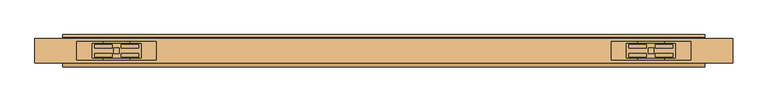
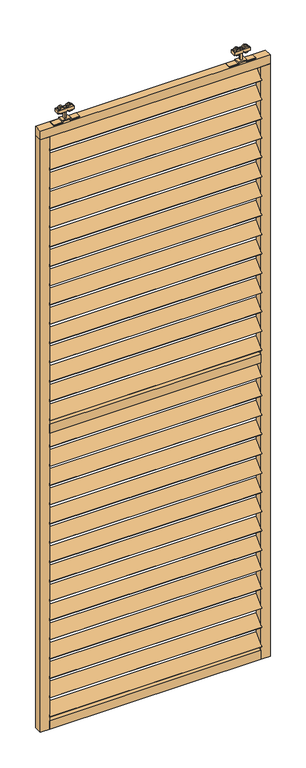
"""IFC4 building model written with IfcOpenShell, lengths in millimetres: door geometry."""

import ifcopenshell
import ifcopenshell.guid

model = None  # the IFC model being written
_history = None  # IfcOwnerHistory: only IFC2X3 demands one
_inside = {}  # id of a spatial element -> (the spatial element, [elements in it])
_under = {}  # id of a project, library or spatial element -> (it, [spatial elements below it])
_declared = {}  # id of a project -> (the project, [libraries it declares])
_typed = {}  # id of a type object -> (the type object, [elements of that type])
_made_of = {}  # id of a material, layer set ... -> (it, [elements and type objects made of it])


def new_model(schema):
    """Start an empty IFC model of exactly this schema.

    Asked for "IFC4X3", IfcOpenShell would pick the latest addendum, in which some entities
    have other attributes; the version numbers below select the first issue.
    IFC2X3 requires an IfcOwnerHistory on every rooted entity: one is made here for all.
    """
    global model, _history
    if schema == "IFC4X3":
        model = ifcopenshell.file(schema_version=(4, 3, 0, 0))
    else:
        model = ifcopenshell.file(schema=schema)
    _inside.clear()
    _under.clear()
    _declared.clear()
    _typed.clear()
    _made_of.clear()
    _history = None
    if model.schema == "IFC2X3":
        org = make("IfcOrganization", Name="unknown")
        user = make(
            "IfcPersonAndOrganization",
            ThePerson=make("IfcPerson", FamilyName="unknown"),
            TheOrganization=org,
        )
        app = make(
            "IfcApplication",
            ApplicationDeveloper=org,
            Version="unknown",
            ApplicationFullName="unknown",
            ApplicationIdentifier="unknown",
        )
        _history = make(
            "IfcOwnerHistory",
            OwningUser=user,
            OwningApplication=app,
            ChangeAction="ADDED",
            CreationDate=0,
        )
    return model


def make(cls, **values):
    """One entity of the class cls with the attributes given. An attribute that is None is left unset."""
    return model.create_entity(
        cls, **{name: value for name, value in values.items() if value is not None}
    )


def rooted(cls, **values):
    """An entity with a GlobalId (a new one), such as an element, a storey or a relation."""
    return make(cls, GlobalId=ifcopenshell.guid.new(), OwnerHistory=_history, **values)


def si_unit(unit_type, name, prefix=None):
    """IfcSIUnit, for example si_unit("LENGTHUNIT", "METRE", prefix="MILLI")."""
    return make("IfcSIUnit", UnitType=unit_type, Prefix=prefix, Name=name)


def assignment(units):
    """IfcUnitAssignment: the units of a project."""
    return None if units is None else make("IfcUnitAssignment", Units=units)


def point(xyz):
    """IfcCartesianPoint."""
    return None if xyz is None else make("IfcCartesianPoint", Coordinates=xyz)


def direction(xyz):
    """IfcDirection."""
    return None if xyz is None else make("IfcDirection", DirectionRatios=xyz)


def frame(location, z_axis=None, x_axis=None):
    """IfcAxis2Placement3D, a coordinate frame: its origin and axes. An axis left out is left unset."""
    return make(
        "IfcAxis2Placement3D",
        Location=point(location),
        Axis=direction(z_axis),
        RefDirection=direction(x_axis),
    )


def frame_2d(location, x_axis=None):
    """IfcAxis2Placement2D, a coordinate frame in the plane: its origin and x axis."""
    return make(
        "IfcAxis2Placement2D", Location=point(location), RefDirection=direction(x_axis)
    )


def origin():
    """The frame at (0, 0, 0) with its axes left unset."""
    return frame((0.0, 0.0, 0.0))


def place(relative_to, where):
    """IfcLocalPlacement: puts the frame where relative to a parent placement (None: the world)."""
    return make(
        "IfcLocalPlacement", PlacementRelTo=relative_to, RelativePlacement=where
    )


def context(
    kind, dimensions, precision=None, world=None, true_north=None, identifier=None
):
    """IfcGeometricRepresentationContext, for example the 3D "Model" context."""
    return make(
        "IfcGeometricRepresentationContext",
        ContextIdentifier=identifier,
        ContextType=kind,
        CoordinateSpaceDimension=dimensions,
        Precision=precision,
        WorldCoordinateSystem=world,
        TrueNorth=true_north,
    )


def project(units=None, contexts=None):
    """IfcProject with its units and contexts."""
    return rooted(
        "IfcProject",
        Name="project",
        RepresentationContexts=contexts,
        UnitsInContext=assignment(units),
    )


def spatial(cls, under=None, at=None, **own):
    """A site, building, storey or space (cls), placed at a placement, below another one or the project."""
    s = rooted(cls, ObjectPlacement=at, **own)
    if under is not None:
        _under.setdefault(under.id(), (under, []))[1].append(s)
    return s


def polyline(points):
    """IfcPolyline through the points."""
    return make("IfcPolyline", Points=[point(p) for p in points])


def circle_curve(where, radius):
    """IfcCircle in the frame where."""
    return make("IfcCircle", Position=where, Radius=radius)


def trimmed(basis, trim1, trim2, sense, master):
    """IfcTrimmedCurve: the piece of a basis curve between two trims."""
    return make(
        "IfcTrimmedCurve",
        BasisCurve=basis,
        Trim1=trim1,
        Trim2=trim2,
        SenseAgreement=sense,
        MasterRepresentation=master,
    )


def segment(curve, same_sense, transition):
    """IfcCompositeCurveSegment."""
    return make(
        "IfcCompositeCurveSegment",
        Transition=transition,
        SameSense=same_sense,
        ParentCurve=curve,
    )


def composite_curve(segments, self_intersect=None):
    """IfcCompositeCurve: segments joined end to end."""
    return make("IfcCompositeCurve", Segments=segments, SelfIntersect=self_intersect)


def outline(outer, holes=None, kind="AREA"):
    """IfcArbitraryClosedProfileDef: a profile drawn as a closed curve; with holes, ...WithVoids."""
    if holes is None:
        return make("IfcArbitraryClosedProfileDef", ProfileType=kind, OuterCurve=outer)
    return make(
        "IfcArbitraryProfileDefWithVoids",
        ProfileType=kind,
        OuterCurve=outer,
        InnerCurves=holes,
    )


def extrude(swept, where, along, depth):
    """IfcExtrudedAreaSolid: the profile swept, set in the frame where, extruded along a direction by depth."""
    return make(
        "IfcExtrudedAreaSolid",
        SweptArea=swept,
        Position=where,
        ExtrudedDirection=direction(along),
        Depth=depth,
    )


def shape(context_of_items, identifier, shape_type, items):
    """IfcShapeRepresentation: the items that make up one representation, for example the "Body"."""
    return make(
        "IfcShapeRepresentation",
        ContextOfItems=context_of_items,
        RepresentationIdentifier=identifier,
        RepresentationType=shape_type,
        Items=items,
    )


def source(mapping_origin, context_of_items, identifier, shape_type, items):
    """IfcRepresentationMap: a shape defined once, which mapped items show again and again."""
    return make(
        "IfcRepresentationMap",
        MappingOrigin=mapping_origin,
        MappedRepresentation=shape(context_of_items, identifier, shape_type, items),
    )


def transform(
    local_origin,
    x_axis=None,
    y_axis=None,
    z_axis=None,
    scale=None,
    scale2=None,
    scale3=None,
    uniform=True,
):
    """IfcCartesianTransformationOperator3D, or its non-uniform kind. x_axis, y_axis, z_axis: its Axis1, 2, 3."""
    if uniform:
        return make(
            "IfcCartesianTransformationOperator3D",
            Axis1=direction(x_axis),
            Axis2=direction(y_axis),
            LocalOrigin=point(local_origin),
            Scale=scale,
            Axis3=direction(z_axis),
        )
    return make(
        "IfcCartesianTransformationOperator3DnonUniform",
        Axis1=direction(x_axis),
        Axis2=direction(y_axis),
        LocalOrigin=point(local_origin),
        Scale=scale,
        Axis3=direction(z_axis),
        Scale2=scale2,
        Scale3=scale3,
    )


def mapped(mapping_source, mapping_target):
    """IfcMappedItem: shows the shape of a source again, moved by a transform."""
    return make(
        "IfcMappedItem", MappingSource=mapping_source, MappingTarget=mapping_target
    )


def made_of(thing, what):
    """Note that an element or type object is made of a material, layer set ...; save() writes the relation."""
    if what is not None:
        _made_of.setdefault(what.id(), (what, []))[1].append(thing)
    return thing


def element(
    cls,
    number,
    at=None,
    inside=None,
    cuts=None,
    type_object=None,
    material=None,
    context=None,
    identifier="Body",
    shape_type=None,
    held_by="IfcProductDefinitionShape",
    body=None,
    shapes=None,
    **own,
):
    """One element of the class cls, such as IfcWall. Its Tag is "e" and its number.

    at: its placement. inside: the storey or other place that contains it. cuts: it is an
    opening in that element (IfcRelVoidsElement). A single representation is given by context,
    identifier, shape_type and body (its items); several are given by shapes. held_by: the class
    of the entity that holds the representations. save() writes the other relations.
    """
    e = rooted(cls, Tag="e%d" % number, ObjectPlacement=at, **own)
    if body is not None:
        shapes = [shape(context, identifier, shape_type, body)]
    if shapes is not None:
        e.Representation = make(held_by, Representations=shapes)
    if inside is not None:
        _inside.setdefault(inside.id(), (inside, []))[1].append(e)
    if cuts is not None:
        rooted(
            "IfcRelVoidsElement", RelatingBuildingElement=cuts, RelatedOpeningElement=e
        )
    if type_object is not None:
        _typed.setdefault(type_object.id(), (type_object, []))[1].append(e)
    return made_of(e, material)


def aggregate(whole, parts):
    """IfcRelAggregates: a whole, such as a stair, and the parts it consists of."""
    return rooted("IfcRelAggregates", RelatingObject=whole, RelatedObjects=parts)


def save(model, path):
    """Write the relations noted so far, then the file.

    IfcRelAggregates (storeys below a building ...), IfcRelContainedInSpatialStructure (elements
    in a storey), IfcRelDefinesByType, IfcRelAssociatesMaterial and IfcRelDeclares: one each for
    every whole, place, type object, material and project.
    """
    for whole, parts in _under.values():
        aggregate(whole, parts)
    for where, things in _inside.values():
        rooted(
            "IfcRelContainedInSpatialStructure",
            RelatedElements=things,
            RelatingStructure=where,
        )
    for kind, things in _typed.values():
        rooted("IfcRelDefinesByType", RelatedObjects=things, RelatingType=kind)
    for what, things in _made_of.values():
        rooted("IfcRelAssociatesMaterial", RelatedObjects=things, RelatingMaterial=what)
    for by, libraries in _declared.values():
        rooted("IfcRelDeclares", RelatingContext=by, RelatedDefinitions=libraries)
    model.write(path)


def door_47d15db3(model_context):
    return source(origin(), model_context, "Body", "SweptSolid", [
        extrude(outline(polyline([(0.0, -5.0), (0.0, 0.0), (920.0, 0.0), (920.0, -5.0), (0.0, -5.0)])), frame((-362.5, -24.1880102, 2582.447601), z_axis=(0.0, 0.7071067811865482, 0.707106781186547), x_axis=(1.0, 0.0, 0.0)), (0.0, 0.0, 1.0), 60.0),
        extrude(outline(polyline([(0.0, -5.0), (0.0, 0.0), (920.0, 0.0), (920.0, -5.0), (0.0, -5.0)])), frame((-362.5, -24.1880102, 2493.8761725), z_axis=(0.0, 0.7071067811865482, 0.707106781186547), x_axis=(1.0, 0.0, 0.0)), (0.0, 0.0, 1.0), 60.0),
        extrude(outline(polyline([(0.0, -5.0), (0.0, 0.0), (920.0, 0.0), (920.0, -5.0), (0.0, -5.0)])), frame((-362.5, -24.1880102, 2405.3047439), z_axis=(0.0, 0.7071067811865482, 0.707106781186547), x_axis=(1.0, 0.0, 0.0)), (0.0, 0.0, 1.0), 60.0),
        extrude(outline(polyline([(0.0, -5.0), (0.0, 0.0), (920.0, 0.0), (920.0, -5.0), (0.0, -5.0)])), frame((-362.5, -24.1880102, 2316.7333153), z_axis=(0.0, 0.7071067811865482, 0.707106781186547), x_axis=(1.0, 0.0, 0.0)), (0.0, 0.0, 1.0), 60.0),
        extrude(outline(polyline([(0.0, -5.0), (0.0, 0.0), (920.0, 0.0), (920.0, -5.0), (0.0, -5.0)])), frame((-362.5, -24.1880102, 1222.447601), z_axis=(0.0, 0.7071067811865482, 0.707106781186547), x_axis=(1.0, 0.0, 0.0)), (0.0, 0.0, 1.0), 60.0),
        extrude(outline(polyline([(0.0, -5.0), (0.0, 0.0), (920.0, 0.0), (920.0, -5.0), (0.0, -5.0)])), frame((-362.5, -24.1880102, 1133.8761725), z_axis=(0.0, 0.7071067811865482, 0.707106781186547), x_axis=(1.0, 0.0, 0.0)), (0.0, 0.0, 1.0), 60.0),
        extrude(outline(polyline([(0.0, -5.0), (0.0, 0.0), (920.0, 0.0), (920.0, -5.0), (0.0, -5.0)])), frame((-362.5, -24.1880102, 1045.3047439), z_axis=(0.0, 0.7071067811865482, 0.707106781186547), x_axis=(1.0, 0.0, 0.0)), (0.0, 0.0, 1.0), 60.0),
        extrude(outline(polyline([(0.0, -5.0), (0.0, 0.0), (920.0, 0.0), (920.0, -5.0), (0.0, -5.0)])), frame((-362.5, -24.1880102, 956.7333153), z_axis=(0.0, 0.7071067811865482, 0.707106781186547), x_axis=(1.0, 0.0, 0.0)), (0.0, 0.0, 1.0), 60.0),
        extrude(outline(polyline([(0.0, -5.0), (0.0, 0.0), (920.0, 0.0), (920.0, -5.0), (0.0, -5.0)])), frame((-362.5, -24.1880102, 2228.1618868), z_axis=(0.0, 0.7071067811865482, 0.707106781186547), x_axis=(1.0, 0.0, 0.0)), (0.0, 0.0, 1.0), 60.0),
        extrude(outline(polyline([(0.0, -5.0), (0.0, 0.0), (920.0, 0.0), (920.0, -5.0), (0.0, -5.0)])), frame((-362.5, -24.1880102, 2139.5904582), z_axis=(0.0, 0.7071067811865482, 0.707106781186547), x_axis=(1.0, 0.0, 0.0)), (0.0, 0.0, 1.0), 60.0),
        extrude(outline(polyline([(0.0, -5.0), (0.0, 0.0), (920.0, 0.0), (920.0, -5.0), (0.0, -5.0)])), frame((-362.5, -24.1880102, 2051.0190296), z_axis=(0.0, 0.7071067811865482, 0.707106781186547), x_axis=(1.0, 0.0, 0.0)), (0.0, 0.0, 1.0), 60.0),
        extrude(outline(polyline([(0.0, -5.0), (0.0, 0.0), (920.0, 0.0), (920.0, -5.0), (0.0, -5.0)])), frame((-362.5, -24.1880102, 1962.447601), z_axis=(0.0, 0.7071067811865482, 0.707106781186547), x_axis=(1.0, 0.0, 0.0)), (0.0, 0.0, 1.0), 60.0),
        extrude(outline(polyline([(0.0, -5.0), (0.0, 0.0), (920.0, 0.0), (920.0, -5.0), (0.0, -5.0)])), frame((-362.5, -24.1880102, 868.1618868), z_axis=(0.0, 0.7071067811865482, 0.707106781186547), x_axis=(1.0, 0.0, 0.0)), (0.0, 0.0, 1.0), 60.0),
        extrude(outline(polyline([(0.0, -5.0), (0.0, 0.0), (920.0, 0.0), (920.0, -5.0), (0.0, -5.0)])), frame((-362.5, -24.1880102, 779.5904582), z_axis=(0.0, 0.7071067811865482, 0.707106781186547), x_axis=(1.0, 0.0, 0.0)), (0.0, 0.0, 1.0), 60.0),
        extrude(outline(polyline([(0.0, -5.0), (0.0, 0.0), (920.0, 0.0), (920.0, -5.0), (0.0, -5.0)])), frame((-362.5, -24.1880102, 691.0190296), z_axis=(0.0, 0.7071067811865482, 0.707106781186547), x_axis=(1.0, 0.0, 0.0)), (0.0, 0.0, 1.0), 60.0),
        extrude(outline(polyline([(0.0, -5.0), (0.0, 0.0), (920.0, 0.0), (920.0, -5.0), (0.0, -5.0)])), frame((-362.5, -24.1880102, 602.447601), z_axis=(0.0, 0.7071067811865482, 0.707106781186547), x_axis=(1.0, 0.0, 0.0)), (0.0, 0.0, 1.0), 60.0),
        extrude(outline(polyline([(0.0, -5.0), (0.0, 0.0), (920.0, 0.0), (920.0, -5.0), (0.0, -5.0)])), frame((-362.5, -24.1880102, 1873.8761725), z_axis=(0.0, 0.7071067811865482, 0.707106781186547), x_axis=(1.0, 0.0, 0.0)), (0.0, 0.0, 1.0), 60.0),
        extrude(outline(polyline([(0.0, -5.0), (0.0, 0.0), (920.0, 0.0), (920.0, -5.0), (0.0, -5.0)])), frame((-362.5, -24.1880102, 1785.3047439), z_axis=(0.0, 0.7071067811865482, 0.707106781186547), x_axis=(1.0, 0.0, 0.0)), (0.0, 0.0, 1.0), 60.0),
        extrude(outline(polyline([(0.0, -5.0), (0.0, 0.0), (920.0, 0.0), (920.0, -5.0), (0.0, -5.0)])), frame((-362.5, -24.1880102, 1696.7333153), z_axis=(0.0, 0.7071067811865482, 0.707106781186547), x_axis=(1.0, 0.0, 0.0)), (0.0, 0.0, 1.0), 60.0),
        extrude(outline(polyline([(0.0, -5.0), (0.0, 0.0), (920.0, 0.0), (920.0, -5.0), (0.0, -5.0)])), frame((-362.5, -24.1880102, 1608.1618868), z_axis=(0.0, 0.7071067811865482, 0.707106781186547), x_axis=(1.0, 0.0, 0.0)), (0.0, 0.0, 1.0), 60.0),
        extrude(outline(polyline([(0.0, -5.0), (0.0, 0.0), (920.0, 0.0), (920.0, -5.0), (0.0, -5.0)])), frame((-362.5, -24.1880102, 1519.5904582), z_axis=(0.0, 0.7071067811865482, 0.707106781186547), x_axis=(1.0, 0.0, 0.0)), (0.0, 0.0, 1.0), 60.0),
        extrude(outline(polyline([(0.0, -5.0), (0.0, 0.0), (920.0, 0.0), (920.0, -5.0), (0.0, -5.0)])), frame((-362.5, -24.1880102, 2671.0190296), z_axis=(0.0, 0.7071067811865482, 0.707106781186547), x_axis=(1.0, 0.0, 0.0)), (0.0, 0.0, 1.0), 60.0),
        extrude(outline(polyline([(0.0, -5.0), (0.0, 0.0), (920.0, 0.0), (920.0, -5.0), (0.0, -5.0)])), frame((-362.5, -24.1880102, 1431.0190296), z_axis=(0.0, 0.7071067811865482, 0.707106781186547), x_axis=(1.0, 0.0, 0.0)), (0.0, 0.0, 1.0), 60.0),
        extrude(outline(polyline([(0.0, -5.0), (0.0, 0.0), (920.0, 0.0), (920.0, -5.0), (0.0, -5.0)])), frame((-362.5, -24.1880102, 513.8761725), z_axis=(0.0, 0.7071067811865482, 0.707106781186547), x_axis=(1.0, 0.0, 0.0)), (0.0, 0.0, 1.0), 60.0),
        extrude(outline(polyline([(0.0, -5.0), (0.0, 0.0), (920.0, 0.0), (920.0, -5.0), (0.0, -5.0)])), frame((-362.5, -24.1880102, 425.3047439), z_axis=(0.0, 0.7071067811865482, 0.707106781186547), x_axis=(1.0, 0.0, 0.0)), (0.0, 0.0, 1.0), 60.0),
        extrude(outline(polyline([(0.0, -5.0), (0.0, 0.0), (920.0, 0.0), (920.0, -5.0), (0.0, -5.0)])), frame((-362.5, -24.1880102, 336.7333153), z_axis=(0.0, 0.7071067811865482, 0.707106781186547), x_axis=(1.0, 0.0, 0.0)), (0.0, 0.0, 1.0), 60.0),
        extrude(outline(polyline([(0.0, -5.0), (0.0, 0.0), (920.0, 0.0), (920.0, -5.0), (0.0, -5.0)])), frame((-362.5, -24.1880102, 248.1618868), z_axis=(0.0, 0.7071067811865482, 0.707106781186547), x_axis=(1.0, 0.0, 0.0)), (0.0, 0.0, 1.0), 60.0),
        extrude(outline(polyline([(0.0, -5.0), (0.0, 0.0), (920.0, 0.0), (920.0, -5.0), (0.0, -5.0)])), frame((-362.5, -24.1880102, 159.5904582), z_axis=(0.0, 0.7071067811865482, 0.707106781186547), x_axis=(1.0, 0.0, 0.0)), (0.0, 0.0, 1.0), 60.0),
        extrude(outline(polyline([(0.0, -5.0), (0.0, 0.0), (920.0, 0.0), (920.0, -5.0), (0.0, -5.0)])), frame((-362.5, -24.1880102, 1311.0190296), z_axis=(0.0, 0.7071067811865482, 0.707106781186547), x_axis=(1.0, 0.0, 0.0)), (0.0, 0.0, 1.0), 60.0),
        extrude(outline(polyline([(0.0, -5.0), (0.0, 0.0), (920.0, 0.0), (920.0, -5.0), (0.0, -5.0)])), frame((-362.5, -24.1880102, 71.0190296), z_axis=(0.0, 0.7071067811865482, 0.707106781186547), x_axis=(1.0, 0.0, 0.0)), (0.0, 0.0, 1.0), 60.0),
        extrude(outline(polyline([(557.5, -22.2425737), (-362.5, -22.2425737), (-362.5, 12.7574263), (557.5, 12.7574263), (557.5, -22.2425737)])), frame((0.0, 0.0, 1374.0), z_axis=(0.0, 0.0, 1.0), x_axis=(1.0, 0.0, 0.0)), (0.0, 0.0, 1.0), 40.0),
        extrude(outline(polyline([(557.5, -22.2425737), (-362.5, -22.2425737), (-362.5, 12.7574263), (557.5, 12.7574263), (557.5, -22.2425737)])), frame((0.0, 0.0, 14.0), z_axis=(0.0, 0.0, 1.0), x_axis=(1.0, 0.0, 0.0)), (0.0, 0.0, 1.0), 40.0),
        extrude(outline(polyline([(597.5, -22.2425737), (-402.5, -22.2425737), (-402.5, 12.7574263), (597.5, 12.7574263), (597.5, -22.2425737)])), frame((0.0, 0.0, 2734.0), z_axis=(0.0, 0.0, 1.0), x_axis=(1.0, 0.0, 0.0)), (0.0, 0.0, 1.0), 40.0),
        extrude(outline(polyline([(-362.5, -22.2425737), (-402.5, -22.2425737), (-402.5, 12.7574263), (-362.5, 12.7574263), (-362.5, -22.2425737)])), frame((0.0, 0.0, 14.0), z_axis=(0.0, 0.0, 1.0), x_axis=(1.0, 0.0, 0.0)), (0.0, 0.0, 1.0), 2720.0),
        extrude(outline(polyline([(597.5, -22.2425737), (557.5, -22.2425737), (557.5, 12.7574263), (597.5, 12.7574263), (597.5, -22.2425737)])), frame((0.0, 0.0, 14.0), z_axis=(0.0, 0.0, 1.0), x_axis=(1.0, 0.0, 0.0)), (0.0, 0.0, 1.0), 2720.0),
        extrude(outline(composite_curve([segment(trimmed(circle_curve(frame_2d((2827.430297, -304.25)), 13.5), [point((2827.430297, -317.75))], [point((2827.430297, -290.75))], False, "CARTESIAN"), True, "CONTINUOUS"), segment(trimmed(circle_curve(frame_2d((2827.430297, -304.25)), 13.5), [point((2827.430297, -290.75))], [point((2827.430297, -317.75))], False, "CARTESIAN"), True, "CONTINUOUS")], self_intersect=False)), frame((0.0, -13.9509888, 0.0), z_axis=(0.0, 1.0, 0.0), x_axis=(0.0, 0.0, 1.0)), (0.0, 0.0, 1.0), 5.2084151),
        extrude(outline(composite_curve([segment(trimmed(circle_curve(frame_2d((2827.430297, -266.75)), 13.5), [point((2827.430297, -253.25))], [point((2827.430297, -280.25))], False, "CARTESIAN"), True, "CONTINUOUS"), segment(trimmed(circle_curve(frame_2d((2827.430297, -266.75)), 13.5), [point((2827.430297, -280.25))], [point((2827.430297, -253.25))], False, "CARTESIAN"), True, "CONTINUOUS")], self_intersect=False)), frame((0.0, -13.9509888, 0.0), z_axis=(0.0, 1.0, 0.0), x_axis=(0.0, 0.0, 1.0)), (0.0, 0.0, 1.0), 5.2084151),
        extrude(outline(composite_curve([segment(trimmed(circle_curve(frame_2d((2827.430297, -304.25)), 13.5), [point((2827.430297, -317.75))], [point((2827.430297, -290.75))], False, "CARTESIAN"), True, "CONTINUOUS"), segment(trimmed(circle_curve(frame_2d((2827.430297, -304.25)), 13.5), [point((2827.430297, -290.75))], [point((2827.430297, -317.75))], False, "CARTESIAN"), True, "CONTINUOUS")], self_intersect=False)), frame((0.0, -0.7425737, 0.0), z_axis=(0.0, 1.0, 0.0), x_axis=(0.0, 0.0, 1.0)), (0.0, 0.0, 1.0), 5.0880554),
        extrude(outline(composite_curve([segment(trimmed(circle_curve(frame_2d((2827.430297, -266.75)), 13.5), [point((2827.430297, -253.25))], [point((2827.430297, -280.25))], False, "CARTESIAN"), True, "CONTINUOUS"), segment(trimmed(circle_curve(frame_2d((2827.430297, -266.75)), 13.5), [point((2827.430297, -280.25))], [point((2827.430297, -253.25))], False, "CARTESIAN"), True, "CONTINUOUS")], self_intersect=False)), frame((0.0, -0.7425737, 0.0), z_axis=(0.0, 1.0, 0.0), x_axis=(0.0, 0.0, 1.0)), (0.0, 0.0, 1.0), 5.0880554),
        extrude(outline(polyline([(-320.5, -15.2425737), (-320.5, 5.7574263), (-250.5, 5.7574263), (-250.5, -15.2425737), (-320.5, -15.2425737)])), frame((0.0, 0.0, 2819.5), z_axis=(0.0, 0.0, 1.0), x_axis=(1.0, 0.0, 0.0)), (0.0, 0.0, 1.0), 13.0),
        extrude(outline(polyline([(-289.5, -8.7425737), (-289.5, -0.7425737), (-281.5, -0.7425737), (-281.5, -8.7425737), (-289.5, -8.7425737)])), frame((0.0, 0.0, 2778.0), z_axis=(0.0, 0.0, 1.0), x_axis=(1.0, 0.0, 0.0)), (0.0, 0.0, 1.0), 56.0),
        extrude(outline(polyline([(2778.0, -228.5), (2778.0, -266.5), (2784.0, -266.5), (2784.0, -304.5), (2778.0, -304.5), (2778.0, -342.5), (2774.0, -342.5), (2774.0, -300.5), (2780.0, -300.5), (2780.0, -270.5), (2774.0, -270.5), (2774.0, -228.5), (2778.0, -228.5)])), frame((0.0, -17.7425737, 0.0), z_axis=(0.0, 1.0, 0.0), x_axis=(0.0, 0.0, 1.0)), (0.0, 0.0, 1.0), 26.0),
        extrude(outline(composite_curve([segment(trimmed(circle_curve(frame_2d((2827.430297, 499.25)), 13.5), [point((2827.430297, 512.75))], [point((2827.430297, 485.75))], False, "CARTESIAN"), True, "CONTINUOUS"), segment(trimmed(circle_curve(frame_2d((2827.430297, 499.25)), 13.5), [point((2827.430297, 485.75))], [point((2827.430297, 512.75))], False, "CARTESIAN"), True, "CONTINUOUS")], self_intersect=False)), frame((0.0, -13.9509888, 0.0), z_axis=(0.0, 1.0, 0.0), x_axis=(0.0, 0.0, 1.0)), (0.0, 0.0, 1.0), 5.2084151),
        extrude(outline(composite_curve([segment(trimmed(circle_curve(frame_2d((2827.430297, 461.75)), 13.5), [point((2827.430297, 448.25))], [point((2827.430297, 475.25))], False, "CARTESIAN"), True, "CONTINUOUS"), segment(trimmed(circle_curve(frame_2d((2827.430297, 461.75)), 13.5), [point((2827.430297, 475.25))], [point((2827.430297, 448.25))], False, "CARTESIAN"), True, "CONTINUOUS")], self_intersect=False)), frame((0.0, -13.9509888, 0.0), z_axis=(0.0, 1.0, 0.0), x_axis=(0.0, 0.0, 1.0)), (0.0, 0.0, 1.0), 5.2084151),
        extrude(outline(composite_curve([segment(trimmed(circle_curve(frame_2d((2827.430297, 499.25)), 13.5), [point((2827.430297, 512.75))], [point((2827.430297, 485.75))], False, "CARTESIAN"), True, "CONTINUOUS"), segment(trimmed(circle_curve(frame_2d((2827.430297, 499.25)), 13.5), [point((2827.430297, 485.75))], [point((2827.430297, 512.75))], False, "CARTESIAN"), True, "CONTINUOUS")], self_intersect=False)), frame((0.0, -0.7425737, 0.0), z_axis=(0.0, 1.0, 0.0), x_axis=(0.0, 0.0, 1.0)), (0.0, 0.0, 1.0), 5.0880554),
        extrude(outline(composite_curve([segment(trimmed(circle_curve(frame_2d((2827.430297, 461.75)), 13.5), [point((2827.430297, 448.25))], [point((2827.430297, 475.25))], False, "CARTESIAN"), True, "CONTINUOUS"), segment(trimmed(circle_curve(frame_2d((2827.430297, 461.75)), 13.5), [point((2827.430297, 475.25))], [point((2827.430297, 448.25))], False, "CARTESIAN"), True, "CONTINUOUS")], self_intersect=False)), frame((0.0, -0.7425737, 0.0), z_axis=(0.0, 1.0, 0.0), x_axis=(0.0, 0.0, 1.0)), (0.0, 0.0, 1.0), 5.0880554),
        extrude(outline(polyline([(515.5, -15.2425737), (445.5, -15.2425737), (445.5, 5.7574263), (515.5, 5.7574263), (515.5, -15.2425737)])), frame((0.0, 0.0, 2819.5), z_axis=(0.0, 0.0, 1.0), x_axis=(1.0, 0.0, 0.0)), (0.0, 0.0, 1.0), 13.0),
        extrude(outline(polyline([(484.5, -8.7425737), (476.5, -8.7425737), (476.5, -0.7425737), (484.5, -0.7425737), (484.5, -8.7425737)])), frame((0.0, 0.0, 2778.0), z_axis=(0.0, 0.0, 1.0), x_axis=(1.0, 0.0, 0.0)), (0.0, 0.0, 1.0), 56.0),
        extrude(outline(polyline([(2778.0, 423.5), (2774.0, 423.5), (2774.0, 465.5), (2780.0, 465.5), (2780.0, 495.5), (2774.0, 495.5), (2774.0, 537.5), (2778.0, 537.5), (2778.0, 499.5), (2784.0, 499.5), (2784.0, 461.5), (2778.0, 461.5), (2778.0, 423.5)])), frame((0.0, -17.7425737, 0.0), z_axis=(0.0, 1.0, 0.0), x_axis=(0.0, 0.0, 1.0)), (0.0, 0.0, 1.0), 26.0),
    ])


if __name__ == "__main__":
    model = new_model("IFC4")
    model_context = context("Model", 3, world=origin())
    ifc_project = project(units=[si_unit("LENGTHUNIT", "METRE", prefix="MILLI")], contexts=[model_context])
    site = spatial("IfcSite", under=ifc_project)
    building = spatial("IfcBuilding", under=site)
    placement = place(None, origin())
    door_shape = door_47d15db3(model_context)
    element("IfcDoor", 1, at=placement, inside=building, context=model_context, shape_type="MappedRepresentation", body=[
        mapped(door_shape, transform((0.0, 0.0, 0.0), x_axis=(1.0, 0.0, 0.0), y_axis=(0.0, 1.0, 0.0), z_axis=(0.0, 0.0, 1.0))),
    ])
    save(model, "model.ifc")
